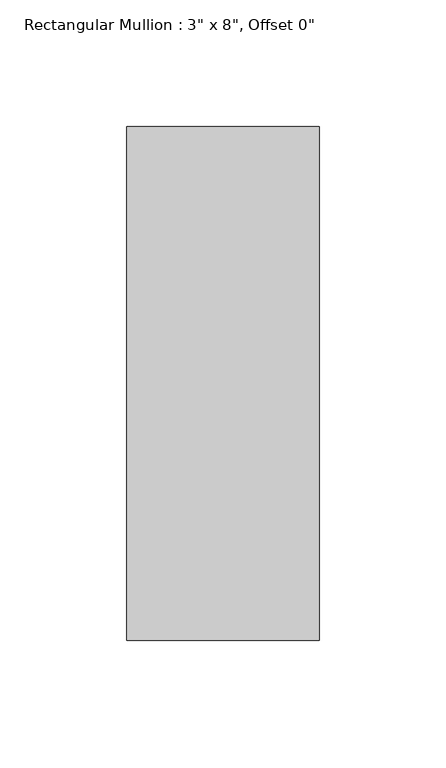
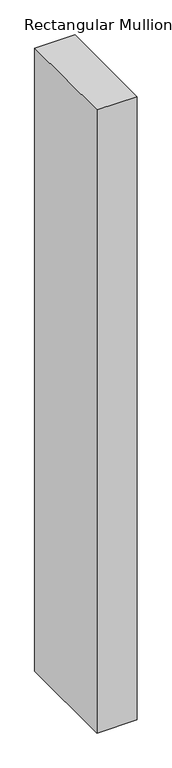
"""IFC4 building model written with IfcOpenShell, lengths in millimetres: member geometry."""

from ifc_helpers import new_model, si_unit, frame, origin, place, context, project, spatial, polyline, outline, extrude, source, transform, mapped, element, save


def member_de81bb96(model_context):
    return source(origin(), model_context, "Body", "SweptSolid", [
        extrude(outline(polyline([(0.0, 101.6), (0.0, -101.6), (-76.2, -101.6), (-76.2, 101.6), (0.0, 101.6)])), frame((0.0, 0.0, -1244.6), z_axis=(0.0, 0.0, 1.0), x_axis=(1.0, 0.0, 0.0)), (0.0, 0.0, 1.0), 1244.6),
    ])


if __name__ == "__main__":
    model = new_model("IFC4")
    model_context = context("Model", 3, world=origin())
    ifc_project = project(units=[si_unit("LENGTHUNIT", "METRE", prefix="MILLI")], contexts=[model_context])
    site = spatial("IfcSite", under=ifc_project)
    building = spatial("IfcBuilding", under=site)
    placement = place(None, origin())
    member_shape = member_de81bb96(model_context)
    element("IfcMember", 1, ObjectType="Rectangular Mullion : 3\" x 8\", Offset 0\"", at=placement, inside=building, context=model_context, shape_type="MappedRepresentation", body=[
        mapped(member_shape, transform((0.0, 0.0, 0.0), x_axis=(1.0, 0.0, 0.0), y_axis=(0.0, 1.0, 0.0), z_axis=(0.0, 0.0, 1.0))),
    ])
    save(model, "model.ifc")
